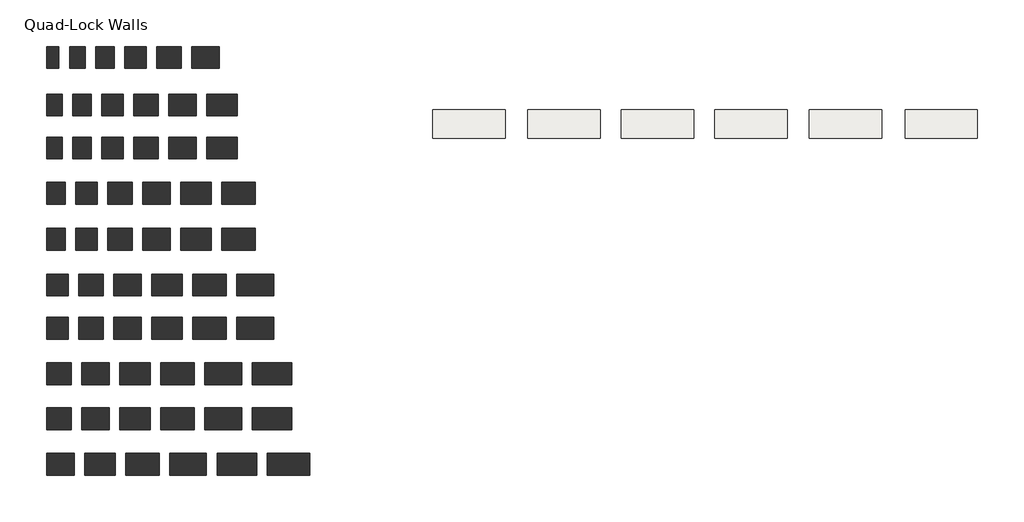
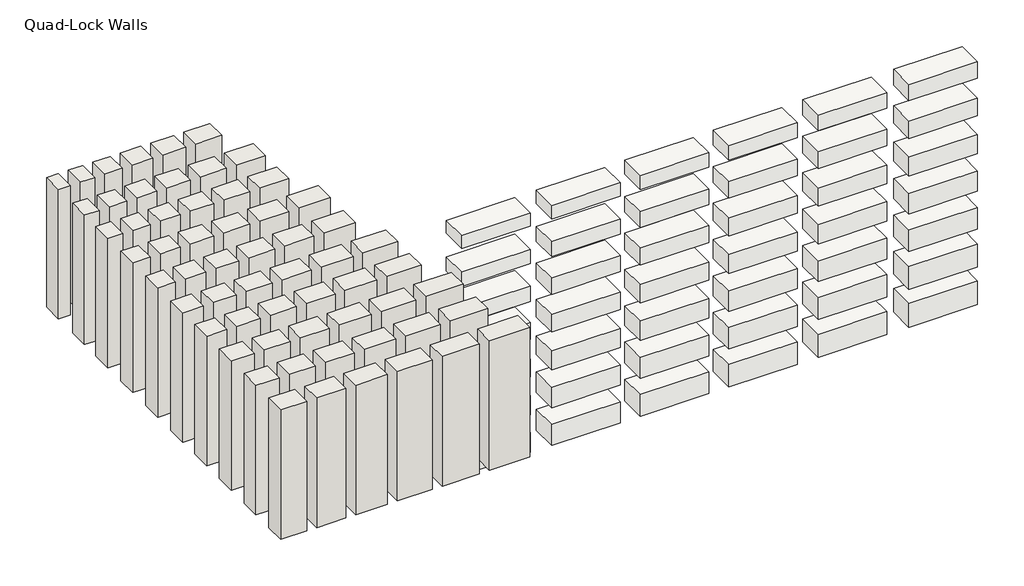
# One storey: 60 walls, 42 slabs.
"""IFC4 building model written with IfcOpenShell, lengths in millimetres."""

from ifc_helpers import new_model, si_unit, frame, origin, origin_with_axes, place, context, project, spatial, polyline, outline, extrude, element, save

model = new_model("IFC4")

# Units and contexts
model_context = context("Model", 3, world=origin())
ifc_project = project(units=[si_unit("LENGTHUNIT", "METRE", prefix="MILLI")], contexts=[model_context])

# Site, building, storey
site = spatial("IfcSite", under=ifc_project)
building = spatial("IfcBuilding", under=site)
storey = spatial("IfcBuildingStorey", under=building, Name="Quad-Lock Walls", Elevation=0.0)

# Slabs
placement = place(None, origin())
element("IfcSlab", 1, at=placement, inside=storey, context=model_context, shape_type="SweptSolid", body=[
    extrude(outline(polyline([(4461.1663569, 2606.3833142), (4461.1663569, 2131.470435), (3241.9663569, 2131.470435), (3241.9663569, 2606.3833142), (4461.1663569, 2606.3833142)])), frame((0.0, 0.0, -241.3), z_axis=(0.0, 0.0, 1.0), x_axis=(1.0, 0.0, 0.0)), (0.0, 0.0, 1.0), 241.3),
])
element("IfcSlab", 2, at=placement, inside=storey, context=model_context, shape_type="SweptSolid", body=[
    extrude(outline(polyline([(6061.3663569, 2606.3833142), (6061.3663569, 2131.470435), (4842.1663569, 2131.470435), (4842.1663569, 2606.3833142), (6061.3663569, 2606.3833142)])), frame((0.0, 0.0, -241.3), z_axis=(0.0, 0.0, 1.0), x_axis=(1.0, 0.0, 0.0)), (0.0, 0.0, 1.0), 254.0),
])
element("IfcSlab", 3, at=placement, inside=storey, context=model_context, shape_type="SweptSolid", body=[
    extrude(outline(polyline([(7636.1663569, 2606.3833142), (7636.1663569, 2131.470435), (6416.9663569, 2131.470435), (6416.9663569, 2606.3833142), (7636.1663569, 2606.3833142)])), frame((0.0, 0.0, -241.3), z_axis=(0.0, 0.0, 1.0), x_axis=(1.0, 0.0, 0.0)), (0.0, 0.0, 1.0), 266.7),
])
element("IfcSlab", 4, at=placement, inside=storey, context=model_context, shape_type="SweptSolid", body=[
    extrude(outline(polyline([(9210.9663569, 2606.3833142), (9210.9663569, 2131.470435), (7991.7663569, 2131.470435), (7991.7663569, 2606.3833142), (9210.9663569, 2606.3833142)])), frame((0.0, 0.0, -241.3), z_axis=(0.0, 0.0, 1.0), x_axis=(1.0, 0.0, 0.0)), (0.0, 0.0, 1.0), 279.4),
])
element("IfcSlab", 5, at=placement, inside=storey, context=model_context, shape_type="SweptSolid", body=[
    extrude(outline(polyline([(10802.7050683, 2606.3833142), (10802.7050683, 2131.470435), (9583.5050683, 2131.470435), (9583.5050683, 2606.3833142), (10802.7050683, 2606.3833142)])), frame((0.0, 0.0, -241.3), z_axis=(0.0, 0.0, 1.0), x_axis=(1.0, 0.0, 0.0)), (0.0, 0.0, 1.0), 292.1),
])
element("IfcSlab", 6, at=placement, inside=storey, context=model_context, shape_type="SweptSolid", body=[
    extrude(outline(polyline([(12415.6050683, 2606.3833142), (12415.6050683, 2131.470435), (11196.4050683, 2131.470435), (11196.4050683, 2606.3833142), (12415.6050683, 2606.3833142)])), frame((0.0, 0.0, -241.3), z_axis=(0.0, 0.0, 1.0), x_axis=(1.0, 0.0, 0.0)), (0.0, 0.0, 1.0), 304.8),
])
element("IfcSlab", 7, at=placement, inside=storey, context=model_context, shape_type="SweptSolid", body=[
    extrude(outline(polyline([(4461.1471547, 2606.3833142), (4461.1471547, 2131.470435), (3241.9855591, 2131.470435), (3241.9855591, 2606.3833142), (4461.1471547, 2606.3833142)])), frame((0.0, 0.0, -952.5), z_axis=(0.0, 0.0, 1.0), x_axis=(1.0, 0.0, 0.0)), (0.0, 0.0, 1.0), 266.7),
])
element("IfcSlab", 8, at=placement, inside=storey, context=model_context, shape_type="SweptSolid", body=[
    extrude(outline(polyline([(6061.3471547, 2606.3833142), (6061.3471547, 2131.470435), (4842.1855591, 2131.470435), (4842.1855591, 2606.3833142), (6061.3471547, 2606.3833142)])), frame((0.0, 0.0, -952.5), z_axis=(0.0, 0.0, 1.0), x_axis=(1.0, 0.0, 0.0)), (0.0, 0.0, 1.0), 279.4),
])
element("IfcSlab", 9, at=placement, inside=storey, context=model_context, shape_type="SweptSolid", body=[
    extrude(outline(polyline([(7636.1471547, 2606.3833142), (7636.1471547, 2131.470435), (6416.9855591, 2131.470435), (6416.9855591, 2606.3833142), (7636.1471547, 2606.3833142)])), frame((0.0, 0.0, -952.5), z_axis=(0.0, 0.0, 1.0), x_axis=(1.0, 0.0, 0.0)), (0.0, 0.0, 1.0), 292.1),
])
element("IfcSlab", 10, at=placement, inside=storey, context=model_context, shape_type="SweptSolid", body=[
    extrude(outline(polyline([(9210.9471547, 2606.3833142), (9210.9471547, 2131.470435), (7991.7855591, 2131.470435), (7991.7855591, 2606.3833142), (9210.9471547, 2606.3833142)])), frame((0.0, 0.0, -952.5), z_axis=(0.0, 0.0, 1.0), x_axis=(1.0, 0.0, 0.0)), (0.0, 0.0, 1.0), 304.8),
])
element("IfcSlab", 11, at=placement, inside=storey, context=model_context, shape_type="SweptSolid", body=[
    extrude(outline(polyline([(10802.685866, 2606.3833142), (10802.685866, 2131.470435), (9583.5242705, 2131.470435), (9583.5242705, 2606.3833142), (10802.685866, 2606.3833142)])), frame((0.0, 0.0, -952.5), z_axis=(0.0, 0.0, 1.0), x_axis=(1.0, 0.0, 0.0)), (0.0, 0.0, 1.0), 317.5),
])
element("IfcSlab", 12, at=placement, inside=storey, context=model_context, shape_type="SweptSolid", body=[
    extrude(outline(polyline([(12415.585866, 2606.3833142), (12415.585866, 2131.470435), (11196.4242705, 2131.470435), (11196.4242705, 2606.3833142), (12415.585866, 2606.3833142)])), frame((0.0, 0.0, -952.5), z_axis=(0.0, 0.0, 1.0), x_axis=(1.0, 0.0, 0.0)), (0.0, 0.0, 1.0), 330.2),
])
element("IfcSlab", 13, at=placement, inside=storey, context=model_context, shape_type="SweptSolid", body=[
    extrude(outline(polyline([(4461.1471547, 2606.3833142), (4461.1471547, 2131.470435), (3241.9855591, 2131.470435), (3241.9855591, 2606.3833142), (4461.1471547, 2606.3833142)])), frame((0.0, 0.0, -1663.7), z_axis=(0.0, 0.0, 1.0), x_axis=(1.0, 0.0, 0.0)), (0.0, 0.0, 1.0), 292.1),
])
element("IfcSlab", 14, at=placement, inside=storey, context=model_context, shape_type="SweptSolid", body=[
    extrude(outline(polyline([(6061.3471547, 2606.3833142), (6061.3471547, 2131.470435), (4842.1855591, 2131.470435), (4842.1855591, 2606.3833142), (6061.3471547, 2606.3833142)])), frame((0.0, 0.0, -1663.7), z_axis=(0.0, 0.0, 1.0), x_axis=(1.0, 0.0, 0.0)), (0.0, 0.0, 1.0), 304.8),
])
element("IfcSlab", 15, at=placement, inside=storey, context=model_context, shape_type="SweptSolid", body=[
    extrude(outline(polyline([(7636.1471547, 2606.3833142), (7636.1471547, 2131.470435), (6416.9855591, 2131.470435), (6416.9855591, 2606.3833142), (7636.1471547, 2606.3833142)])), frame((0.0, 0.0, -1663.7), z_axis=(0.0, 0.0, 1.0), x_axis=(1.0, 0.0, 0.0)), (0.0, 0.0, 1.0), 317.5),
])
element("IfcSlab", 16, at=placement, inside=storey, context=model_context, shape_type="SweptSolid", body=[
    extrude(outline(polyline([(9210.9471547, 2606.3833142), (9210.9471547, 2131.470435), (7991.7855591, 2131.470435), (7991.7855591, 2606.3833142), (9210.9471547, 2606.3833142)])), frame((0.0, 0.0, -1663.7), z_axis=(0.0, 0.0, 1.0), x_axis=(1.0, 0.0, 0.0)), (0.0, 0.0, 1.0), 330.2),
])
element("IfcSlab", 17, at=placement, inside=storey, context=model_context, shape_type="SweptSolid", body=[
    extrude(outline(polyline([(10802.685866, 2606.3833142), (10802.685866, 2131.470435), (9583.5242705, 2131.470435), (9583.5242705, 2606.3833142), (10802.685866, 2606.3833142)])), frame((0.0, 0.0, -1663.7), z_axis=(0.0, 0.0, 1.0), x_axis=(1.0, 0.0, 0.0)), (0.0, 0.0, 1.0), 342.9),
])
element("IfcSlab", 18, at=placement, inside=storey, context=model_context, shape_type="SweptSolid", body=[
    extrude(outline(polyline([(12415.585866, 2606.3833142), (12415.585866, 2131.470435), (11196.4242705, 2131.470435), (11196.4242705, 2606.3833142), (12415.585866, 2606.3833142)])), frame((0.0, 0.0, -1663.7), z_axis=(0.0, 0.0, 1.0), x_axis=(1.0, 0.0, 0.0)), (0.0, 0.0, 1.0), 355.6),
])
element("IfcSlab", 19, at=placement, inside=storey, context=model_context, shape_type="SweptSolid", body=[
    extrude(outline(polyline([(4461.1471547, 2606.3833142), (4461.1471547, 2131.470435), (3241.9855591, 2131.470435), (3241.9855591, 2606.3833142), (4461.1471547, 2606.3833142)])), frame((0.0, 0.0, -2374.9), z_axis=(0.0, 0.0, 1.0), x_axis=(1.0, 0.0, 0.0)), (0.0, 0.0, 1.0), 317.5),
])
element("IfcSlab", 20, at=placement, inside=storey, context=model_context, shape_type="SweptSolid", body=[
    extrude(outline(polyline([(6061.3471547, 2606.3833142), (6061.3471547, 2131.470435), (4842.1855591, 2131.470435), (4842.1855591, 2606.3833142), (6061.3471547, 2606.3833142)])), frame((0.0, 0.0, -2374.9), z_axis=(0.0, 0.0, 1.0), x_axis=(1.0, 0.0, 0.0)), (0.0, 0.0, 1.0), 330.2),
])
element("IfcSlab", 21, at=placement, inside=storey, context=model_context, shape_type="SweptSolid", body=[
    extrude(outline(polyline([(7636.1471547, 2606.3833142), (7636.1471547, 2131.470435), (6416.9855591, 2131.470435), (6416.9855591, 2606.3833142), (7636.1471547, 2606.3833142)])), frame((0.0, 0.0, -2374.9), z_axis=(0.0, 0.0, 1.0), x_axis=(1.0, 0.0, 0.0)), (0.0, 0.0, 1.0), 342.9),
])
element("IfcSlab", 22, at=placement, inside=storey, context=model_context, shape_type="SweptSolid", body=[
    extrude(outline(polyline([(9210.9471547, 2606.3833142), (9210.9471547, 2131.470435), (7991.7855591, 2131.470435), (7991.7855591, 2606.3833142), (9210.9471547, 2606.3833142)])), frame((0.0, 0.0, -2374.9), z_axis=(0.0, 0.0, 1.0), x_axis=(1.0, 0.0, 0.0)), (0.0, 0.0, 1.0), 355.6),
])
element("IfcSlab", 23, at=placement, inside=storey, context=model_context, shape_type="SweptSolid", body=[
    extrude(outline(polyline([(10802.685866, 2606.3833142), (10802.685866, 2131.470435), (9583.5242705, 2131.470435), (9583.5242705, 2606.3833142), (10802.685866, 2606.3833142)])), frame((0.0, 0.0, -2374.9), z_axis=(0.0, 0.0, 1.0), x_axis=(1.0, 0.0, 0.0)), (0.0, 0.0, 1.0), 368.3),
])
element("IfcSlab", 24, at=placement, inside=storey, context=model_context, shape_type="SweptSolid", body=[
    extrude(outline(polyline([(12415.585866, 2606.3833142), (12415.585866, 2131.470435), (11196.4242705, 2131.470435), (11196.4242705, 2606.3833142), (12415.585866, 2606.3833142)])), frame((0.0, 0.0, -2374.9), z_axis=(0.0, 0.0, 1.0), x_axis=(1.0, 0.0, 0.0)), (0.0, 0.0, 1.0), 381.0),
])
element("IfcSlab", 25, at=placement, inside=storey, context=model_context, shape_type="SweptSolid", body=[
    extrude(outline(polyline([(4461.1471547, 2606.3833142), (4461.1471547, 2131.470435), (3241.9855591, 2131.470435), (3241.9855591, 2606.3833142), (4461.1471547, 2606.3833142)])), frame((0.0, 0.0, -3086.1), z_axis=(0.0, 0.0, 1.0), x_axis=(1.0, 0.0, 0.0)), (0.0, 0.0, 1.0), 342.9),
])
element("IfcSlab", 26, at=placement, inside=storey, context=model_context, shape_type="SweptSolid", body=[
    extrude(outline(polyline([(6061.3471547, 2606.3833142), (6061.3471547, 2131.470435), (4842.1855591, 2131.470435), (4842.1855591, 2606.3833142), (6061.3471547, 2606.3833142)])), frame((0.0, 0.0, -3086.1), z_axis=(0.0, 0.0, 1.0), x_axis=(1.0, 0.0, 0.0)), (0.0, 0.0, 1.0), 355.6),
])
element("IfcSlab", 27, at=placement, inside=storey, context=model_context, shape_type="SweptSolid", body=[
    extrude(outline(polyline([(7636.1471547, 2606.3833142), (7636.1471547, 2131.470435), (6416.9855591, 2131.470435), (6416.9855591, 2606.3833142), (7636.1471547, 2606.3833142)])), frame((0.0, 0.0, -3086.1), z_axis=(0.0, 0.0, 1.0), x_axis=(1.0, 0.0, 0.0)), (0.0, 0.0, 1.0), 368.3),
])
element("IfcSlab", 28, at=placement, inside=storey, context=model_context, shape_type="SweptSolid", body=[
    extrude(outline(polyline([(9210.9471547, 2606.3833142), (9210.9471547, 2131.470435), (7991.7855591, 2131.470435), (7991.7855591, 2606.3833142), (9210.9471547, 2606.3833142)])), frame((0.0, 0.0, -3086.1), z_axis=(0.0, 0.0, 1.0), x_axis=(1.0, 0.0, 0.0)), (0.0, 0.0, 1.0), 381.0),
])
element("IfcSlab", 29, at=placement, inside=storey, context=model_context, shape_type="SweptSolid", body=[
    extrude(outline(polyline([(10802.685866, 2606.3833142), (10802.685866, 2131.470435), (9583.5242705, 2131.470435), (9583.5242705, 2606.3833142), (10802.685866, 2606.3833142)])), frame((0.0, 0.0, -3086.1), z_axis=(0.0, 0.0, 1.0), x_axis=(1.0, 0.0, 0.0)), (0.0, 0.0, 1.0), 393.7),
])
element("IfcSlab", 30, at=placement, inside=storey, context=model_context, shape_type="SweptSolid", body=[
    extrude(outline(polyline([(12415.585866, 2606.3833142), (12415.585866, 2131.470435), (11196.4242705, 2131.470435), (11196.4242705, 2606.3833142), (12415.585866, 2606.3833142)])), frame((0.0, 0.0, -3086.1), z_axis=(0.0, 0.0, 1.0), x_axis=(1.0, 0.0, 0.0)), (0.0, 0.0, 1.0), 406.4),
])
element("IfcSlab", 31, at=placement, inside=storey, context=model_context, shape_type="SweptSolid", body=[
    extrude(outline(polyline([(4461.1471547, 2606.3833142), (4461.1471547, 2131.470435), (3241.9855591, 2131.470435), (3241.9855591, 2606.3833142), (4461.1471547, 2606.3833142)])), frame((0.0, 0.0, -3797.3), z_axis=(0.0, 0.0, 1.0), x_axis=(1.0, 0.0, 0.0)), (0.0, 0.0, 1.0), 368.3),
])
element("IfcSlab", 32, at=placement, inside=storey, context=model_context, shape_type="SweptSolid", body=[
    extrude(outline(polyline([(6061.3471547, 2606.3833142), (6061.3471547, 2131.470435), (4842.1855591, 2131.470435), (4842.1855591, 2606.3833142), (6061.3471547, 2606.3833142)])), frame((0.0, 0.0, -3797.3), z_axis=(0.0, 0.0, 1.0), x_axis=(1.0, 0.0, 0.0)), (0.0, 0.0, 1.0), 381.0),
])
element("IfcSlab", 33, at=placement, inside=storey, context=model_context, shape_type="SweptSolid", body=[
    extrude(outline(polyline([(7636.1471547, 2606.3833142), (7636.1471547, 2131.470435), (6416.9855591, 2131.470435), (6416.9855591, 2606.3833142), (7636.1471547, 2606.3833142)])), frame((0.0, 0.0, -3797.3), z_axis=(0.0, 0.0, 1.0), x_axis=(1.0, 0.0, 0.0)), (0.0, 0.0, 1.0), 393.7),
])
element("IfcSlab", 34, at=placement, inside=storey, context=model_context, shape_type="SweptSolid", body=[
    extrude(outline(polyline([(9210.9471547, 2606.3833142), (9210.9471547, 2131.470435), (7991.7855591, 2131.470435), (7991.7855591, 2606.3833142), (9210.9471547, 2606.3833142)])), frame((0.0, 0.0, -3797.3), z_axis=(0.0, 0.0, 1.0), x_axis=(1.0, 0.0, 0.0)), (0.0, 0.0, 1.0), 406.4),
])
element("IfcSlab", 35, at=placement, inside=storey, context=model_context, shape_type="SweptSolid", body=[
    extrude(outline(polyline([(10802.685866, 2606.3833142), (10802.685866, 2131.470435), (9583.5242705, 2131.470435), (9583.5242705, 2606.3833142), (10802.685866, 2606.3833142)])), frame((0.0, 0.0, -3797.3), z_axis=(0.0, 0.0, 1.0), x_axis=(1.0, 0.0, 0.0)), (0.0, 0.0, 1.0), 419.1),
])
element("IfcSlab", 36, at=placement, inside=storey, context=model_context, shape_type="SweptSolid", body=[
    extrude(outline(polyline([(12415.585866, 2606.3833142), (12415.585866, 2131.470435), (11196.4242705, 2131.470435), (11196.4242705, 2606.3833142), (12415.585866, 2606.3833142)])), frame((0.0, 0.0, -3797.3), z_axis=(0.0, 0.0, 1.0), x_axis=(1.0, 0.0, 0.0)), (0.0, 0.0, 1.0), 431.8),
])
element("IfcSlab", 37, at=placement, inside=storey, context=model_context, shape_type="SweptSolid", body=[
    extrude(outline(polyline([(4461.1471547, 2606.3833142), (4461.1471547, 2131.470435), (3241.9855591, 2131.470435), (3241.9855591, 2606.3833142), (4461.1471547, 2606.3833142)])), frame((0.0, 0.0, -4508.5), z_axis=(0.0, 0.0, 1.0), x_axis=(1.0, 0.0, 0.0)), (0.0, 0.0, 1.0), 381.0),
])
element("IfcSlab", 38, at=placement, inside=storey, context=model_context, shape_type="SweptSolid", body=[
    extrude(outline(polyline([(6061.3471547, 2606.3833142), (6061.3471547, 2131.470435), (4842.1855591, 2131.470435), (4842.1855591, 2606.3833142), (6061.3471547, 2606.3833142)])), frame((0.0, 0.0, -4508.5), z_axis=(0.0, 0.0, 1.0), x_axis=(1.0, 0.0, 0.0)), (0.0, 0.0, 1.0), 393.7),
])
element("IfcSlab", 39, at=placement, inside=storey, context=model_context, shape_type="SweptSolid", body=[
    extrude(outline(polyline([(7636.1471547, 2606.3833142), (7636.1471547, 2131.470435), (6416.9855591, 2131.470435), (6416.9855591, 2606.3833142), (7636.1471547, 2606.3833142)])), frame((0.0, 0.0, -4508.5), z_axis=(0.0, 0.0, 1.0), x_axis=(1.0, 0.0, 0.0)), (0.0, 0.0, 1.0), 406.4),
])
element("IfcSlab", 40, at=placement, inside=storey, context=model_context, shape_type="SweptSolid", body=[
    extrude(outline(polyline([(9210.9471547, 2606.3833142), (9210.9471547, 2131.470435), (7991.7855591, 2131.470435), (7991.7855591, 2606.3833142), (9210.9471547, 2606.3833142)])), frame((0.0, 0.0, -4508.5), z_axis=(0.0, 0.0, 1.0), x_axis=(1.0, 0.0, 0.0)), (0.0, 0.0, 1.0), 419.1),
])
element("IfcSlab", 41, at=placement, inside=storey, context=model_context, shape_type="SweptSolid", body=[
    extrude(outline(polyline([(10802.685866, 2606.3833142), (10802.685866, 2131.470435), (9583.5242705, 2131.470435), (9583.5242705, 2606.3833142), (10802.685866, 2606.3833142)])), frame((0.0, 0.0, -4508.5), z_axis=(0.0, 0.0, 1.0), x_axis=(1.0, 0.0, 0.0)), (0.0, 0.0, 1.0), 431.8),
])
element("IfcSlab", 42, at=placement, inside=storey, context=model_context, shape_type="SweptSolid", body=[
    extrude(outline(polyline([(12415.585866, 2606.3833142), (12415.585866, 2131.470435), (11196.4242705, 2131.470435), (11196.4242705, 2606.3833142), (12415.585866, 2606.3833142)])), frame((0.0, 0.0, -4508.5), z_axis=(0.0, 0.0, 1.0), x_axis=(1.0, 0.0, 0.0)), (0.0, 0.0, 1.0), 444.5),
])

# Walls
element("IfcWall", 43, at=placement, inside=storey, context=model_context, shape_type="SweptSolid", body=[
    extrude(outline(polyline([(-3259.1237403, 245.0746822), (-3259.1237403, 613.3746822), (-2947.9737403, 613.3746822), (-2947.9737403, 245.0746822), (-3259.1237403, 245.0746822)])), origin_with_axes(), (0.0, 0.0, 1.0), 2438.4),
])
element("IfcWall", 44, at=placement, inside=storey, context=model_context, shape_type="SweptSolid", body=[
    extrude(outline(polyline([(-2770.1737403, 245.0746822), (-2770.1737403, 613.3746822), (-2408.2237403, 613.3746822), (-2408.2237403, 245.0746822), (-2770.1737403, 245.0746822)])), origin_with_axes(), (0.0, 0.0, 1.0), 2438.4),
])
element("IfcWall", 45, at=placement, inside=storey, context=model_context, shape_type="SweptSolid", body=[
    extrude(outline(polyline([(-2230.4237403, 245.0746822), (-2230.4237403, 613.3746822), (-1817.6737403, 613.3746822), (-1817.6737403, 245.0746822), (-2230.4237403, 245.0746822)])), origin_with_axes(), (0.0, 0.0, 1.0), 2438.4),
])
element("IfcWall", 46, at=placement, inside=storey, context=model_context, shape_type="SweptSolid", body=[
    extrude(outline(polyline([(-1639.8737403, 245.0746822), (-1639.8737403, 613.3746822), (-1176.3237403, 613.3746822), (-1176.3237403, 245.0746822), (-1639.8737403, 245.0746822)])), origin_with_axes(), (0.0, 0.0, 1.0), 2438.4),
])
element("IfcWall", 47, at=placement, inside=storey, context=model_context, shape_type="SweptSolid", body=[
    extrude(outline(polyline([(-998.5237403, 245.0746822), (-998.5237403, 613.3746822), (-484.1737403, 613.3746822), (-484.1737403, 245.0746822), (-998.5237403, 245.0746822)])), origin_with_axes(), (0.0, 0.0, 1.0), 2438.4),
])
element("IfcWall", 48, at=placement, inside=storey, context=model_context, shape_type="SweptSolid", body=[
    extrude(outline(polyline([(-306.3737403, 245.0746822), (-306.3737403, 613.3746822), (258.7762597, 613.3746822), (258.7762597, 245.0746822), (-306.3737403, 245.0746822)])), origin_with_axes(), (0.0, 0.0, 1.0), 2438.4),
])
element("IfcWall", 49, at=placement, inside=storey, context=model_context, shape_type="SweptSolid", body=[
    extrude(outline(polyline([(-3259.1237403, 1017.0390453), (-3259.1237403, 1385.3390453), (-2947.9737403, 1385.3390453), (-2947.9737403, 1017.0390453), (-3259.1237403, 1017.0390453)])), origin_with_axes(), (0.0, 0.0, 1.0), 2438.4),
])
element("IfcWall", 50, at=placement, inside=storey, context=model_context, shape_type="SweptSolid", body=[
    extrude(outline(polyline([(-2770.1737403, 1017.0390453), (-2770.1737403, 1385.3390453), (-2408.2237403, 1385.3390453), (-2408.2237403, 1017.0390453), (-2770.1737403, 1017.0390453)])), origin_with_axes(), (0.0, 0.0, 1.0), 2438.4),
])
element("IfcWall", 51, at=placement, inside=storey, context=model_context, shape_type="SweptSolid", body=[
    extrude(outline(polyline([(-2232.1518529, 1017.0390453), (-2232.1518529, 1385.3390453), (-1819.4018529, 1385.3390453), (-1819.4018529, 1017.0390453), (-2232.1518529, 1017.0390453)])), origin_with_axes(), (0.0, 0.0, 1.0), 2438.4),
])
element("IfcWall", 52, at=placement, inside=storey, context=model_context, shape_type="SweptSolid", body=[
    extrude(outline(polyline([(-1636.7697839, 1017.0390453), (-1636.7697839, 1385.3390453), (-1173.2197839, 1385.3390453), (-1173.2197839, 1017.0390453), (-1636.7697839, 1017.0390453)])), origin_with_axes(), (0.0, 0.0, 1.0), 2438.4),
])
element("IfcWall", 53, at=placement, inside=storey, context=model_context, shape_type="SweptSolid", body=[
    extrude(outline(polyline([(-998.5237403, 1017.0390453), (-998.5237403, 1385.3390453), (-484.1737403, 1385.3390453), (-484.1737403, 1017.0390453), (-998.5237403, 1017.0390453)])), origin_with_axes(), (0.0, 0.0, 1.0), 2438.4),
])
element("IfcWall", 54, at=placement, inside=storey, context=model_context, shape_type="SweptSolid", body=[
    extrude(outline(polyline([(-306.3737403, 1017.0390453), (-306.3737403, 1385.3390453), (258.7762597, 1385.3390453), (258.7762597, 1017.0390453), (-306.3737403, 1017.0390453)])), origin_with_axes(), (0.0, 0.0, 1.0), 2438.4),
])
element("IfcWall", 55, at=placement, inside=storey, context=model_context, shape_type="SweptSolid", body=[
    extrude(outline(polyline([(-3259.1237403, 1779.0390453), (-3259.1237403, 2147.3390453), (-2998.7737403, 2147.3390453), (-2998.7737403, 1779.0390453), (-3259.1237403, 1779.0390453)])), origin_with_axes(), (0.0, 0.0, 1.0), 2438.4),
])
element("IfcWall", 56, at=placement, inside=storey, context=model_context, shape_type="SweptSolid", body=[
    extrude(outline(polyline([(-2821.3560312, 1779.0390453), (-2821.3560312, 2147.3390453), (-2510.2060312, 2147.3390453), (-2510.2060312, 1779.0390453), (-2821.3560312, 1779.0390453)])), origin_with_axes(), (0.0, 0.0, 1.0), 2438.4),
])
element("IfcWall", 57, at=placement, inside=storey, context=model_context, shape_type="SweptSolid", body=[
    extrude(outline(polyline([(-2332.0237403, 1779.0390453), (-2332.0237403, 2147.3390453), (-1970.0737403, 2147.3390453), (-1970.0737403, 1779.0390453), (-2332.0237403, 1779.0390453)])), origin_with_axes(), (0.0, 0.0, 1.0), 2438.4),
])
element("IfcWall", 58, at=placement, inside=storey, context=model_context, shape_type="SweptSolid", body=[
    extrude(outline(polyline([(-1792.2737403, 1779.0390453), (-1792.2737403, 2147.3390453), (-1379.5237403, 2147.3390453), (-1379.5237403, 1779.0390453), (-1792.2737403, 1779.0390453)])), origin_with_axes(), (0.0, 0.0, 1.0), 2438.4),
])
element("IfcWall", 59, at=placement, inside=storey, context=model_context, shape_type="SweptSolid", body=[
    extrude(outline(polyline([(-1201.7237403, 1779.0390453), (-1201.7237403, 2147.3390453), (-738.1737403, 2147.3390453), (-738.1737403, 1779.0390453), (-1201.7237403, 1779.0390453)])), origin_with_axes(), (0.0, 0.0, 1.0), 2438.4),
])
element("IfcWall", 60, at=placement, inside=storey, context=model_context, shape_type="SweptSolid", body=[
    extrude(outline(polyline([(-560.3737403, 1779.0390453), (-560.3737403, 2147.3390453), (-46.0237403, 2147.3390453), (-46.0237403, 1779.0390453), (-560.3737403, 1779.0390453)])), origin_with_axes(), (0.0, 0.0, 1.0), 2438.4),
])
element("IfcWall", 61, at=placement, inside=storey, context=model_context, shape_type="SweptSolid", body=[
    extrude(outline(polyline([(-3259.1237403, 3303.0390453), (-3259.1237403, 3671.3390453), (-3049.5737403, 3671.3390453), (-3049.5737403, 3303.0390453), (-3259.1237403, 3303.0390453)])), origin_with_axes(), (0.0, 0.0, 1.0), 2438.4),
])
element("IfcWall", 62, at=placement, inside=storey, context=model_context, shape_type="SweptSolid", body=[
    extrude(outline(polyline([(-2871.7737403, 3303.0390453), (-2871.7737403, 3671.3390453), (-2611.4237403, 3671.3390453), (-2611.4237403, 3303.0390453), (-2871.7737403, 3303.0390453)])), origin_with_axes(), (0.0, 0.0, 1.0), 2438.4),
])
element("IfcWall", 63, at=placement, inside=storey, context=model_context, shape_type="SweptSolid", body=[
    extrude(outline(polyline([(-2433.6237403, 3303.0390453), (-2433.6237403, 3671.3390453), (-2122.4737403, 3671.3390453), (-2122.4737403, 3303.0390453), (-2433.6237403, 3303.0390453)])), origin_with_axes(), (0.0, 0.0, 1.0), 2438.4),
])
element("IfcWall", 64, at=placement, inside=storey, context=model_context, shape_type="SweptSolid", body=[
    extrude(outline(polyline([(-1944.6737403, 3303.0390453), (-1944.6737403, 3671.3390453), (-1582.7237403, 3671.3390453), (-1582.7237403, 3303.0390453), (-1944.6737403, 3303.0390453)])), origin_with_axes(), (0.0, 0.0, 1.0), 2438.4),
])
element("IfcWall", 65, at=placement, inside=storey, context=model_context, shape_type="SweptSolid", body=[
    extrude(outline(polyline([(-1404.9237403, 3303.0390453), (-1404.9237403, 3671.3390453), (-992.1737403, 3671.3390453), (-992.1737403, 3303.0390453), (-1404.9237403, 3303.0390453)])), origin_with_axes(), (0.0, 0.0, 1.0), 2438.4),
])
element("IfcWall", 66, at=placement, inside=storey, context=model_context, shape_type="SweptSolid", body=[
    extrude(outline(polyline([(-814.3737403, 3303.0390453), (-814.3737403, 3671.3390453), (-350.8237403, 3671.3390453), (-350.8237403, 3303.0390453), (-814.3737403, 3303.0390453)])), origin_with_axes(), (0.0, 0.0, 1.0), 2438.4),
])
element("IfcWall", 67, at=placement, inside=storey, context=model_context, shape_type="SweptSolid", body=[
    extrude(outline(polyline([(-3259.1237403, -1258.9965916), (-3259.1237403, -890.6965916), (-2897.1737403, -890.6965916), (-2897.1737403, -1258.9965916), (-3259.1237403, -1258.9965916)])), origin_with_axes(), (0.0, 0.0, 1.0), 2438.4),
])
element("IfcWall", 68, at=placement, inside=storey, context=model_context, shape_type="SweptSolid", body=[
    extrude(outline(polyline([(-2719.3737403, -1258.9965916), (-2719.3737403, -890.6965916), (-2306.6237403, -890.6965916), (-2306.6237403, -1258.9965916), (-2719.3737403, -1258.9965916)])), origin_with_axes(), (0.0, 0.0, 1.0), 2438.4),
])
element("IfcWall", 69, at=placement, inside=storey, context=model_context, shape_type="SweptSolid", body=[
    extrude(outline(polyline([(-2128.8237403, -1258.9965916), (-2128.8237403, -890.6965916), (-1665.2737403, -890.6965916), (-1665.2737403, -1258.9965916), (-2128.8237403, -1258.9965916)])), origin_with_axes(), (0.0, 0.0, 1.0), 2438.4),
])
element("IfcWall", 70, at=placement, inside=storey, context=model_context, shape_type="SweptSolid", body=[
    extrude(outline(polyline([(-1487.4737403, -1258.9965916), (-1487.4737403, -890.6965916), (-973.1237403, -890.6965916), (-973.1237403, -1258.9965916), (-1487.4737403, -1258.9965916)])), origin_with_axes(), (0.0, 0.0, 1.0), 2438.4),
])
element("IfcWall", 71, at=placement, inside=storey, context=model_context, shape_type="SweptSolid", body=[
    extrude(outline(polyline([(-795.3237403, -1258.9965916), (-795.3237403, -890.6965916), (-230.1737403, -890.6965916), (-230.1737403, -1258.9965916), (-795.3237403, -1258.9965916)])), origin_with_axes(), (0.0, 0.0, 1.0), 2438.4),
])
element("IfcWall", 72, at=placement, inside=storey, context=model_context, shape_type="SweptSolid", body=[
    extrude(outline(polyline([(-52.3737403, -1258.9965916), (-52.3737403, -890.6965916), (563.5762597, -890.6965916), (563.5762597, -1258.9965916), (-52.3737403, -1258.9965916)])), origin_with_axes(), (0.0, 0.0, 1.0), 2438.4),
])
element("IfcWall", 73, at=placement, inside=storey, context=model_context, shape_type="SweptSolid", body=[
    extrude(outline(polyline([(-3259.1237403, -2020.9965916), (-3259.1237403, -1652.6965916), (-2846.3737403, -1652.6965916), (-2846.3737403, -2020.9965916), (-3259.1237403, -2020.9965916)])), origin_with_axes(), (0.0, 0.0, 1.0), 2438.4),
])
element("IfcWall", 74, at=placement, inside=storey, context=model_context, shape_type="SweptSolid", body=[
    extrude(outline(polyline([(-2668.5737403, -2020.9965916), (-2668.5737403, -1652.6965916), (-2205.0237403, -1652.6965916), (-2205.0237403, -2020.9965916), (-2668.5737403, -2020.9965916)])), origin_with_axes(), (0.0, 0.0, 1.0), 2438.4),
])
element("IfcWall", 75, at=placement, inside=storey, context=model_context, shape_type="SweptSolid", body=[
    extrude(outline(polyline([(-1335.0737403, -2020.9965916), (-1335.0737403, -1652.6965916), (-769.9237403, -1652.6965916), (-769.9237403, -2020.9965916), (-1335.0737403, -2020.9965916)])), origin_with_axes(), (0.0, 0.0, 1.0), 2438.4),
])
element("IfcWall", 76, at=placement, inside=storey, context=model_context, shape_type="SweptSolid", body=[
    extrude(outline(polyline([(-592.1237403, -2020.9965916), (-592.1237403, -1652.6965916), (23.8262597, -1652.6965916), (23.8262597, -2020.9965916), (-592.1237403, -2020.9965916)])), origin_with_axes(), (0.0, 0.0, 1.0), 2438.4),
])
element("IfcWall", 77, at=placement, inside=storey, context=model_context, shape_type="SweptSolid", body=[
    extrude(outline(polyline([(201.6262597, -2020.9965916), (201.6262597, -1652.6965916), (868.3762597, -1652.6965916), (868.3762597, -2020.9965916), (201.6262597, -2020.9965916)])), origin_with_axes(), (0.0, 0.0, 1.0), 2438.4),
])
element("IfcWall", 78, at=placement, inside=storey, context=model_context, shape_type="SweptSolid", body=[
    extrude(outline(polyline([(-3259.1237403, -2782.9965916), (-3259.1237403, -2414.6965916), (-2846.3737403, -2414.6965916), (-2846.3737403, -2782.9965916), (-3259.1237403, -2782.9965916)])), origin_with_axes(), (0.0, 0.0, 1.0), 2438.4),
])
element("IfcWall", 79, at=placement, inside=storey, context=model_context, shape_type="SweptSolid", body=[
    extrude(outline(polyline([(-2668.5737403, -2782.9965916), (-2668.5737403, -2414.6965916), (-2205.0237403, -2414.6965916), (-2205.0237403, -2782.9965916), (-2668.5737403, -2782.9965916)])), origin_with_axes(), (0.0, 0.0, 1.0), 2438.4),
])
element("IfcWall", 80, at=placement, inside=storey, context=model_context, shape_type="SweptSolid", body=[
    extrude(outline(polyline([(-1335.0737403, -2782.9965916), (-1335.0737403, -2414.6965916), (-769.9237403, -2414.6965916), (-769.9237403, -2782.9965916), (-1335.0737403, -2782.9965916)])), origin_with_axes(), (0.0, 0.0, 1.0), 2438.4),
])
element("IfcWall", 81, at=placement, inside=storey, context=model_context, shape_type="SweptSolid", body=[
    extrude(outline(polyline([(-592.1237403, -2782.9965916), (-592.1237403, -2414.6965916), (23.8262597, -2414.6965916), (23.8262597, -2782.9965916), (-592.1237403, -2782.9965916)])), origin_with_axes(), (0.0, 0.0, 1.0), 2438.4),
])
element("IfcWall", 82, at=placement, inside=storey, context=model_context, shape_type="SweptSolid", body=[
    extrude(outline(polyline([(201.6262597, -2782.9965916), (201.6262597, -2414.6965916), (868.3762597, -2414.6965916), (868.3762597, -2782.9965916), (201.6262597, -2782.9965916)])), origin_with_axes(), (0.0, 0.0, 1.0), 2438.4),
])
element("IfcWall", 83, at=placement, inside=storey, context=model_context, shape_type="SweptSolid", body=[
    extrude(outline(polyline([(-2027.2237403, -2020.9965916), (-2027.2237403, -1652.6965916), (-1512.8737403, -1652.6965916), (-1512.8737403, -2020.9965916), (-2027.2237403, -2020.9965916)])), origin_with_axes(), (0.0, 0.0, 1.0), 2438.4),
])
element("IfcWall", 84, at=placement, inside=storey, context=model_context, shape_type="SweptSolid", body=[
    extrude(outline(polyline([(-2027.2237403, -2782.9965916), (-2027.2237403, -2414.6965916), (-1512.8737403, -2414.6965916), (-1512.8737403, -2782.9965916), (-2027.2237403, -2782.9965916)])), origin_with_axes(), (0.0, 0.0, 1.0), 2438.4),
])
element("IfcWall", 85, at=placement, inside=storey, context=model_context, shape_type="SweptSolid", body=[
    extrude(outline(polyline([(-2998.7737403, 2871.2390453), (-2998.7737403, 2502.9390453), (-3259.1237403, 2502.9390453), (-3259.1237403, 2871.2390453), (-2998.7737403, 2871.2390453)])), origin_with_axes(), (0.0, 0.0, 1.0), 2438.4),
])
element("IfcWall", 86, at=placement, inside=storey, context=model_context, shape_type="SweptSolid", body=[
    extrude(outline(polyline([(-2509.8237403, 2871.2390453), (-2509.8237403, 2502.9390453), (-2820.9737403, 2502.9390453), (-2820.9737403, 2871.2390453), (-2509.8237403, 2871.2390453)])), origin_with_axes(), (0.0, 0.0, 1.0), 2438.4),
])
element("IfcWall", 87, at=placement, inside=storey, context=model_context, shape_type="SweptSolid", body=[
    extrude(outline(polyline([(-1970.0737403, 2871.2390453), (-1970.0737403, 2502.9390453), (-2332.0237403, 2502.9390453), (-2332.0237403, 2871.2390453), (-1970.0737403, 2871.2390453)])), origin_with_axes(), (0.0, 0.0, 1.0), 2438.4),
])
element("IfcWall", 88, at=placement, inside=storey, context=model_context, shape_type="SweptSolid", body=[
    extrude(outline(polyline([(-1379.5237403, 2871.2390453), (-1379.5237403, 2502.9390453), (-1792.2737403, 2502.9390453), (-1792.2737403, 2871.2390453), (-1379.5237403, 2871.2390453)])), origin_with_axes(), (0.0, 0.0, 1.0), 2438.4),
])
element("IfcWall", 89, at=placement, inside=storey, context=model_context, shape_type="SweptSolid", body=[
    extrude(outline(polyline([(-738.1737403, 2871.2390453), (-738.1737403, 2502.9390453), (-1201.7237403, 2502.9390453), (-1201.7237403, 2871.2390453), (-738.1737403, 2871.2390453)])), origin_with_axes(), (0.0, 0.0, 1.0), 2438.4),
])
element("IfcWall", 90, at=placement, inside=storey, context=model_context, shape_type="SweptSolid", body=[
    extrude(outline(polyline([(-46.0237403, 2871.2390453), (-46.0237403, 2502.9390453), (-560.3737403, 2502.9390453), (-560.3737403, 2871.2390453), (-46.0237403, 2871.2390453)])), origin_with_axes(), (0.0, 0.0, 1.0), 2438.4),
])
element("IfcWall", 91, at=placement, inside=storey, context=model_context, shape_type="SweptSolid", body=[
    extrude(outline(polyline([(-3259.1237403, -526.8896809), (-3259.1237403, -158.5896809), (-2897.1737403, -158.5896809), (-2897.1737403, -526.8896809), (-3259.1237403, -526.8896809)])), origin_with_axes(), (0.0, 0.0, 1.0), 2438.4),
])
element("IfcWall", 92, at=placement, inside=storey, context=model_context, shape_type="SweptSolid", body=[
    extrude(outline(polyline([(-2719.3737403, -526.8896809), (-2719.3737403, -158.5896809), (-2306.6237403, -158.5896809), (-2306.6237403, -526.8896809), (-2719.3737403, -526.8896809)])), origin_with_axes(), (0.0, 0.0, 1.0), 2438.4),
])
element("IfcWall", 93, at=placement, inside=storey, context=model_context, shape_type="SweptSolid", body=[
    extrude(outline(polyline([(-2128.8237403, -526.8896809), (-2128.8237403, -158.5896809), (-1665.2737403, -158.5896809), (-1665.2737403, -526.8896809), (-2128.8237403, -526.8896809)])), origin_with_axes(), (0.0, 0.0, 1.0), 2438.4),
])
element("IfcWall", 94, at=placement, inside=storey, context=model_context, shape_type="SweptSolid", body=[
    extrude(outline(polyline([(-1487.4737403, -526.8896809), (-1487.4737403, -158.5896809), (-973.1237403, -158.5896809), (-973.1237403, -526.8896809), (-1487.4737403, -526.8896809)])), origin_with_axes(), (0.0, 0.0, 1.0), 2438.4),
])
element("IfcWall", 95, at=placement, inside=storey, context=model_context, shape_type="SweptSolid", body=[
    extrude(outline(polyline([(-795.3237403, -526.8896809), (-795.3237403, -158.5896809), (-230.1737403, -158.5896809), (-230.1737403, -526.8896809), (-795.3237403, -526.8896809)])), origin_with_axes(), (0.0, 0.0, 1.0), 2438.4),
])
element("IfcWall", 96, at=placement, inside=storey, context=model_context, shape_type="SweptSolid", body=[
    extrude(outline(polyline([(-52.3737403, -526.8896809), (-52.3737403, -158.5896809), (563.5762597, -158.5896809), (563.5762597, -526.8896809), (-52.3737403, -526.8896809)])), origin_with_axes(), (0.0, 0.0, 1.0), 2438.4),
])
element("IfcWall", 97, at=placement, inside=storey, context=model_context, shape_type="SweptSolid", body=[
    extrude(outline(polyline([(-3259.1237403, -3544.9965916), (-3259.1237403, -3176.6965916), (-2795.5737403, -3176.6965916), (-2795.5737403, -3544.9965916), (-3259.1237403, -3544.9965916)])), origin_with_axes(), (0.0, 0.0, 1.0), 2438.4),
])
element("IfcWall", 98, at=placement, inside=storey, context=model_context, shape_type="SweptSolid", body=[
    extrude(outline(polyline([(-2617.7737403, -3544.9965916), (-2617.7737403, -3176.6965916), (-2103.4237403, -3176.6965916), (-2103.4237403, -3544.9965916), (-2617.7737403, -3544.9965916)])), origin_with_axes(), (0.0, 0.0, 1.0), 2438.4),
])
element("IfcWall", 99, at=placement, inside=storey, context=model_context, shape_type="SweptSolid", body=[
    extrude(outline(polyline([(-1925.6237403, -3544.9965916), (-1925.6237403, -3176.6965916), (-1360.4737403, -3176.6965916), (-1360.4737403, -3544.9965916), (-1925.6237403, -3544.9965916)])), origin_with_axes(), (0.0, 0.0, 1.0), 2438.4),
])
element("IfcWall", 100, at=placement, inside=storey, context=model_context, shape_type="SweptSolid", body=[
    extrude(outline(polyline([(-1182.6737403, -3544.9965916), (-1182.6737403, -3176.6965916), (-566.7237403, -3176.6965916), (-566.7237403, -3544.9965916), (-1182.6737403, -3544.9965916)])), origin_with_axes(), (0.0, 0.0, 1.0), 2438.4),
])
element("IfcWall", 101, at=placement, inside=storey, context=model_context, shape_type="SweptSolid", body=[
    extrude(outline(polyline([(-388.9237403, -3544.9965916), (-388.9237403, -3176.6965916), (277.8262597, -3176.6965916), (277.8262597, -3544.9965916), (-388.9237403, -3544.9965916)])), origin_with_axes(), (0.0, 0.0, 1.0), 2438.4),
])
element("IfcWall", 102, at=placement, inside=storey, context=model_context, shape_type="SweptSolid", body=[
    extrude(outline(polyline([(455.6262597, -3544.9965916), (455.6262597, -3176.6965916), (1173.1762597, -3176.6965916), (1173.1762597, -3544.9965916), (455.6262597, -3544.9965916)])), origin_with_axes(), (0.0, 0.0, 1.0), 2438.4),
])

save(model, "model.ifc")
